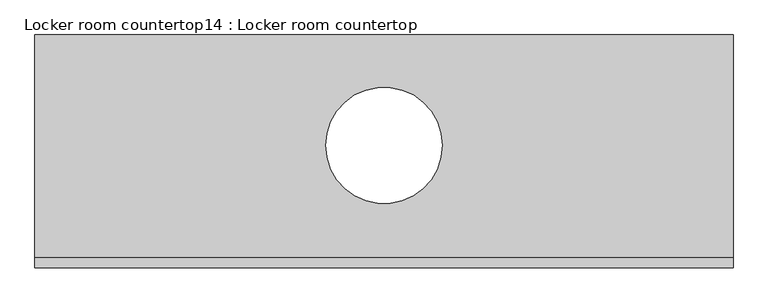
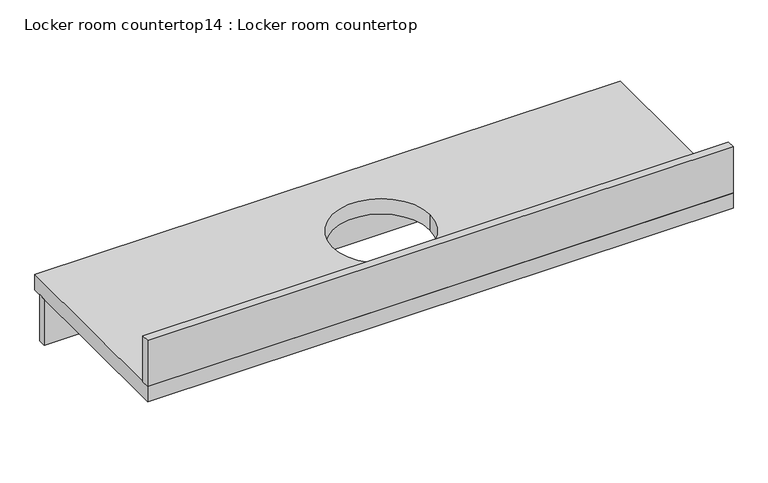
"""IFC4 building model written with IfcOpenShell, lengths in millimetres: furniture geometry, Locker room countertop14 : Locker room countertop."""

from ifc_helpers import new_model, si_unit, point, frame, frame_2d, origin, place, context, project, spatial, polyline, circle_curve, trimmed, segment, composite_curve, outline, extrude, source, transform, mapped, element, save


def locker_room_countertop14_locker_room_countertop_7612de19(model_context):
    return source(origin(), model_context, "Body", "SweptSolid", [
        extrude(outline(polyline([(471028.0998844, -349301.6080223), (471028.0998844, -349327.0080223), (469199.2998844, -349327.0080223), (469199.2998844, -349301.6080223), (471028.0998844, -349301.6080223)])), frame((0.0, 0.0, 660.4), z_axis=(0.0, 0.0, 1.0), x_axis=(1.0, 0.0, 0.0)), (0.0, 0.0, 1.0), 152.4),
        extrude(outline(polyline([(469199.2998844, -349860.4080223), (471028.0998844, -349860.4080223), (471028.0998844, -349885.8080223), (469199.2998844, -349885.8080223), (469199.2998844, -349860.4080223)])), frame((0.0, 0.0, 863.6), z_axis=(0.0, 0.0, 1.0), x_axis=(1.0, 0.0, 0.0)), (0.0, 0.0, 1.0), 152.4),
        extrude(outline(polyline([(469199.2998844, -349276.2080223), (471028.0998844, -349276.2080223), (471028.0998844, -349885.8080223), (469199.2998844, -349885.8080223), (469199.2998844, -349276.2080223)]), holes=[composite_curve([segment(trimmed(circle_curve(frame_2d((470113.6998844, -349565.5453937)), 152.4), [point((469961.2998844, -349565.5453937))], [point((470266.0998844, -349565.5453937))], True, "CARTESIAN"), True, "CONTINUOUS"), segment(trimmed(circle_curve(frame_2d((470113.6998844, -349565.5453937)), 152.4), [point((470266.0998844, -349565.5453937))], [point((469961.2998844, -349565.5453937))], True, "CARTESIAN"), True, "CONTINUOUS")], self_intersect=False)]), frame((0.0, 0.0, 812.8), z_axis=(0.0, 0.0, 1.0), x_axis=(1.0, 0.0, 0.0)), (0.0, 0.0, 1.0), 50.8),
    ])


if __name__ == "__main__":
    model = new_model("IFC4")
    model_context = context("Model", 3, world=origin())
    ifc_project = project(units=[si_unit("LENGTHUNIT", "METRE", prefix="MILLI")], contexts=[model_context])
    site = spatial("IfcSite", under=ifc_project)
    building = spatial("IfcBuilding", under=site)
    placement = place(None, origin())
    locker_room_countertop14_locker_room_countertop_shape = locker_room_countertop14_locker_room_countertop_7612de19(model_context)
    element("IfcFurniture", 1, ObjectType="Locker room countertop14 : Locker room countertop", at=placement, inside=building, context=model_context, shape_type="MappedRepresentation", body=[
        mapped(locker_room_countertop14_locker_room_countertop_shape, transform((0.0, 0.0, 0.0), x_axis=(1.0, 0.0, 0.0), y_axis=(0.0, 1.0, 0.0), z_axis=(0.0, 0.0, 1.0))),
    ])
    save(model, "model.ifc")
